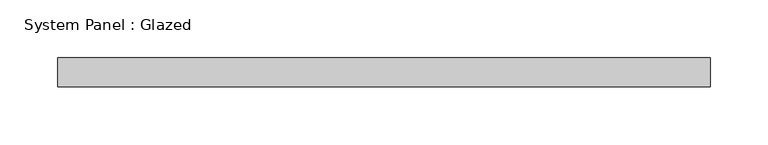
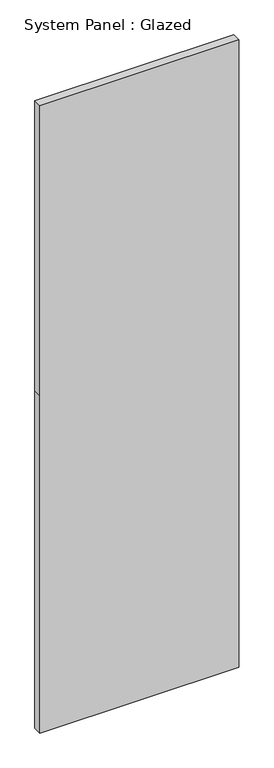
"""IFC4 building model written with IfcOpenShell, lengths in millimetres: plate geometry, System Panel : Glazed."""

from ifc_helpers import new_model, si_unit, frame, origin, place, context, project, spatial, polyline, outline, extrude, source, transform, mapped, element, save


def system_panel_glazed_fdbabd3c(model_context):
    return source(origin(), model_context, "Body", "SweptSolid", [
        extrude(outline(polyline([(0.0, -282.75), (0.0, 282.75), (1013.3333333, 282.75), (1885.0, 282.75), (1885.0, -282.75), (1013.3333333, -282.75), (0.0, -282.75)])), frame((0.0, 24.5, 0.0), z_axis=(0.0, 1.0, 0.0), x_axis=(0.0, 0.0, 1.0)), (0.0, 0.0, 1.0), 25.0),
    ])


if __name__ == "__main__":
    model = new_model("IFC4")
    model_context = context("Model", 3, world=origin())
    ifc_project = project(units=[si_unit("LENGTHUNIT", "METRE", prefix="MILLI")], contexts=[model_context])
    site = spatial("IfcSite", under=ifc_project)
    building = spatial("IfcBuilding", under=site)
    placement = place(None, origin())
    system_panel_glazed_shape = system_panel_glazed_fdbabd3c(model_context)
    element("IfcPlate", 1, ObjectType="System Panel : Glazed", at=placement, inside=building, context=model_context, shape_type="MappedRepresentation", body=[
        mapped(system_panel_glazed_shape, transform((0.0, 0.0, 0.0), x_axis=(1.0, 0.0, 0.0), y_axis=(0.0, 1.0, 0.0), z_axis=(0.0, 0.0, 1.0))),
    ])
    save(model, "model.ifc")
